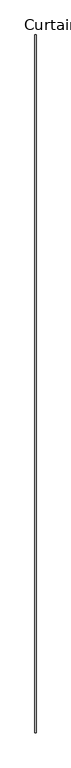
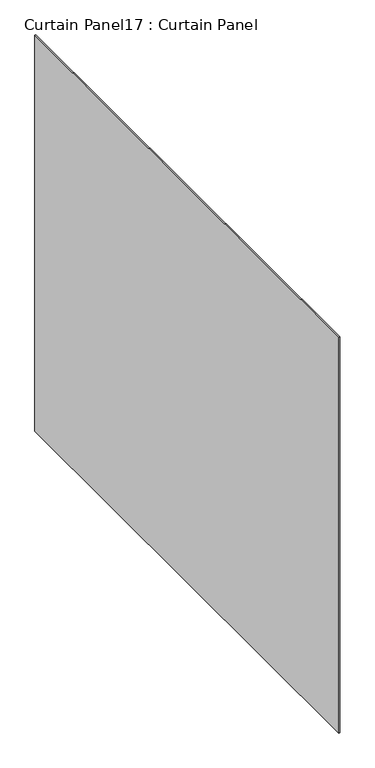
"""IFC4 building model written with IfcOpenShell, lengths in millimetres: plate geometry, Curtain Panel17 : Curtain Panel."""

from ifc_helpers import new_model, si_unit, frame, origin, place, context, project, spatial, polyline, outline, extrude, source, transform, mapped, element, save


def curtain_panel17_curtain_panel_11eb87bc(model_context):
    return source(origin(), model_context, "Body", "SweptSolid", [
        extrude(outline(polyline([(-82209.2604124, 3315.3046625), (-82209.2604124, 7068.1546625), (-82202.9104124, 7068.1546625), (-82202.9104124, 3315.3046625), (-82209.2604124, 3315.3046625)])), frame((0.0, 0.0, 3048.0), z_axis=(0.0, 0.0, 1.0), x_axis=(1.0, 0.0, 0.0)), (0.0, 0.0, 1.0), 2984.5),
    ])


if __name__ == "__main__":
    model = new_model("IFC4")
    model_context = context("Model", 3, world=origin())
    ifc_project = project(units=[si_unit("LENGTHUNIT", "METRE", prefix="MILLI")], contexts=[model_context])
    site = spatial("IfcSite", under=ifc_project)
    building = spatial("IfcBuilding", under=site)
    placement = place(None, origin())
    curtain_panel17_curtain_panel_shape = curtain_panel17_curtain_panel_11eb87bc(model_context)
    element("IfcPlate", 1, ObjectType="Curtain Panel17 : Curtain Panel", at=placement, inside=building, context=model_context, shape_type="MappedRepresentation", body=[
        mapped(curtain_panel17_curtain_panel_shape, transform((0.0, 0.0, 0.0), x_axis=(1.0, 0.0, 0.0), y_axis=(0.0, 1.0, 0.0), z_axis=(0.0, 0.0, 1.0))),
    ])
    save(model, "model.ifc")
